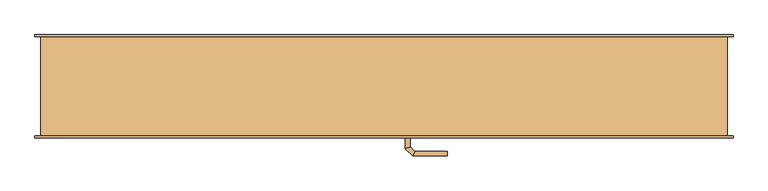
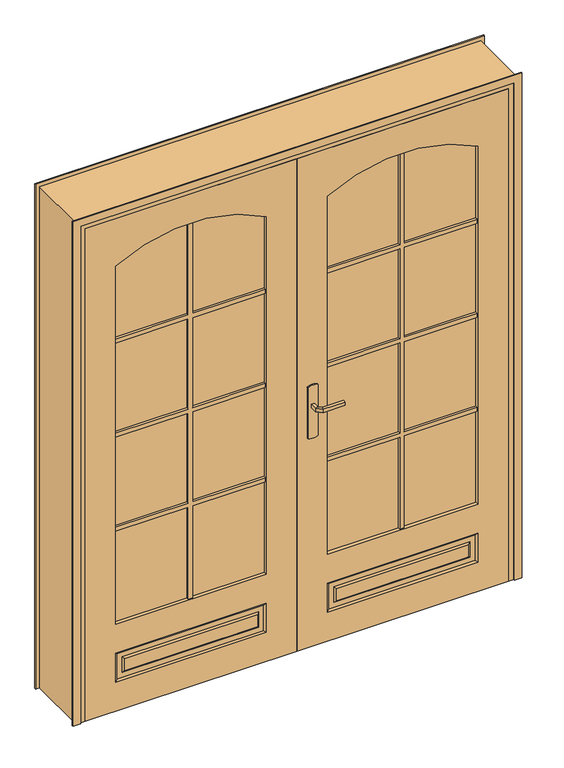
"""IFC4 building model written with IfcOpenShell, lengths in millimetres: door geometry."""

from ifc_helpers import new_model, si_unit, point, frame, frame_2d, origin, place, context, project, spatial, polyline, circle_curve, ellipse_curve, trimmed, segment, composite_curve, outline, extrude, faceted_brep, source, transform, mapped, element, save
from ifc_brep_helpers import plane_surface, cylinder_surface, revolved_surface, advanced_brep


def door_66f8f5f8(model_context):
    return source(origin(), model_context, "Body", "SolidModel", [
        extrude(outline(composite_curve([segment(trimmed(circle_curve(frame_2d((1320.0, -450.0)), 600.0), [point((1842.4700948, -155.0))], [point((1842.4700948, -745.0))], False, "CARTESIAN"), True, "CONTINUOUS"), segment(polyline([(1842.4700948, -745.0), (360.0, -745.0), (360.0, -155.0), (1842.4700948, -155.0)]), True, "CONTINUOUS")], self_intersect=False)), frame((0.0, -110.0, 0.0), z_axis=(0.0, 1.0, 0.0), x_axis=(0.0, 0.0, 1.0)), (0.0, 0.0, 1.0), 10.0),
        advanced_brep(
        [(-865.0, -125.0, 0.0), (-35.0, -125.0, 0.0), (-35.0, -125.0, 2040.0), (-865.0, -125.0, 2040.0), (-745.0, -125.0, 360.0), (-745.0, -125.0, 1842.4700948), (-155.0, -125.0, 1842.4700948), (-155.0, -125.0, 360.0), (-745.0, -125.0, 240.0), (-155.0, -125.0, 240.0), (-155.0, -125.0, 120.0), (-745.0, -125.0, 120.0), (-710.0, -125.0, 155.0), (-190.0, -125.0, 155.0), (-190.0, -125.0, 205.0), (-710.0, -125.0, 205.0), (-865.0, -85.0, 0.0), (-865.0, -85.0, 2040.0), (-35.0, -85.0, 2040.0), (-35.0, -85.0, 0.0), (-745.0, -85.0, 360.0), (-155.0, -85.0, 360.0), (-155.0, -85.0, 1842.4700948), (-745.0, -85.0, 1842.4700948), (-155.0, -85.0, 240.0), (-745.0, -85.0, 240.0), (-745.0, -85.0, 120.0), (-155.0, -85.0, 120.0), (-190.0, -85.0, 155.0), (-710.0, -85.0, 155.0), (-710.0, -85.0, 205.0), (-190.0, -85.0, 205.0), (-737.85926, -120.0, 127.14074), (-737.85926, -120.0, 232.85926), (-717.14074, -120.0, 147.85926), (-717.14074, -120.0, 212.14074), (-162.14074, -120.0, 232.85926), (-182.85926, -120.0, 212.14074), (-162.14074, -120.0, 127.14074), (-182.85926, -120.0, 147.85926), (-162.14074, -90.0, 127.14074), (-162.14074, -90.0, 232.85926), (-182.85926, -90.0, 147.85926), (-182.85926, -90.0, 212.14074), (-737.85926, -90.0, 232.85926), (-717.14074, -90.0, 212.14074), (-737.85926, -90.0, 127.14074), (-717.14074, -90.0, 147.85926)],
        [
            (0, 1),
            (1, 2),
            (2, 3),
            (3, 0),
            (4, 5),
            (5, 6, circle_curve(frame((-450.0, -125.0, 1320.0), z_axis=(0.0, 1.0, 0.0), x_axis=(-1.0, 0.0, 0.0)), 600.0)),
            (6, 7),
            (7, 4),
            (8, 9),
            (9, 10),
            (10, 11),
            (11, 8),
            (12, 13),
            (13, 14),
            (14, 15),
            (15, 12),
            (16, 17),
            (17, 18),
            (18, 19),
            (19, 16),
            (20, 21),
            (21, 22),
            (22, 23, circle_curve(frame((-450.0, -85.0, 1320.0), z_axis=(0.0, -1.0, 0.0), x_axis=(-1.0, 0.0, 0.0)), 600.0)),
            (23, 20),
            (24, 25),
            (25, 26),
            (26, 27),
            (27, 24),
            (28, 29),
            (29, 30),
            (30, 31),
            (31, 28),
            (3, 17),
            (16, 0),
            (2, 18),
            (1, 19),
            (7, 21),
            (20, 4),
            (6, 22),
            (5, 23),
            (11, 32),
            (32, 33),
            (33, 8),
            (34, 12),
            (15, 35),
            (35, 34),
            (33, 36),
            (36, 9),
            (14, 37),
            (37, 35),
            (36, 38),
            (38, 10),
            (13, 39),
            (39, 37),
            (38, 32),
            (34, 39),
            (27, 40),
            (40, 41),
            (41, 24),
            (42, 28),
            (31, 43),
            (43, 42),
            (41, 44),
            (44, 25),
            (30, 45),
            (45, 43),
            (44, 46),
            (46, 26),
            (29, 47),
            (47, 45),
            (46, 40),
            (42, 47),
        ],
        [
            plane_surface(frame((-865.0, -125.0, 0.0), z_axis=(0.0, -1.0, 0.0), x_axis=(0.0, 0.0, 1.0))),
            plane_surface(frame((-865.0, -85.0, 0.0), z_axis=(0.0, 1.0, 0.0), x_axis=(0.0, 0.0, -1.0))),
            plane_surface(frame((-865.0, -125.0, 0.0), z_axis=(-1.0, 0.0, 0.0), x_axis=(0.0, 1.0, 0.0))),
            plane_surface(frame((-865.0, -125.0, 2040.0), z_axis=(0.0, 0.0, 1.0), x_axis=(0.0, 1.0, 0.0))),
            plane_surface(frame((-35.0, -125.0, 2040.0), z_axis=(1.0, 0.0, 0.0), x_axis=(0.0, 1.0, 0.0))),
            plane_surface(frame((-35.0, -125.0, 0.0), z_axis=(0.0, 0.0, -1.0), x_axis=(0.0, 1.0, 0.0))),
            plane_surface(frame((-745.0, -125.0, 360.0), z_axis=(0.0, 0.0, 1.0), x_axis=(0.0, 1.0, 0.0))),
            plane_surface(frame((-155.0, -125.0, 360.0), z_axis=(-1.0, 0.0, 0.0), x_axis=(0.0, 1.0, 0.0))),
            revolved_surface(polyline([(-1050.0, -85.0, 1320.0), (-1050.0, -125.0, 1320.0)]), (-450.0, -85.0, 1320.0), (0.0, 1.0, 0.0)),
            plane_surface(frame((-745.0, -125.0, 1842.4700948), z_axis=(1.0, 0.0, 0.0), x_axis=(0.0, 1.0, 0.0))),
            plane_surface(frame((-737.85926, -120.0, 127.14074), z_axis=(0.5735764363510457, -0.819152044288992, 0.0), x_axis=(0.0, 0.0, 1.0))),
            plane_surface(frame((-710.0, -125.0, 155.0), z_axis=(-0.573576436351049, -0.8191520442889898, 0.0), x_axis=(0.0, 0.0, 1.0))),
            plane_surface(frame((-737.85926, -120.0, 232.85926), z_axis=(0.0, -0.819152044288992, -0.5735764363510458), x_axis=(1.0, 0.0, 0.0))),
            plane_surface(frame((-710.0, -125.0, 205.0), z_axis=(0.0, -0.8191520442889897, 0.5735764363510492), x_axis=(1.0, 0.0, 0.0))),
            plane_surface(frame((-162.14074, -120.0, 232.85926), z_axis=(-0.5735764363510458, -0.819152044288992, 0.0), x_axis=(0.0, 0.0, -1.0))),
            plane_surface(frame((-190.0, -125.0, 205.0), z_axis=(0.5735764363510492, -0.8191520442889897, 0.0), x_axis=(0.0, 0.0, -1.0))),
            plane_surface(frame((-162.14074, -120.0, 127.14074), z_axis=(0.0, -0.819152044288992, 0.5735764363510459), x_axis=(-1.0, 0.0, 0.0))),
            plane_surface(frame((-190.0, -125.0, 155.0), z_axis=(0.0, -0.8191520442889896, -0.5735764363510493), x_axis=(-1.0, 0.0, 0.0))),
            plane_surface(frame((-182.85926, -120.0, 147.85926), z_axis=(0.0, -1.0, 0.0), x_axis=(-1.0, 0.0, 0.0))),
            plane_surface(frame((-162.14074, -90.0, 127.14074), z_axis=(-0.5735764363510479, 0.8191520442889905, 0.0), x_axis=(0.0, 0.0, 1.0))),
            plane_surface(frame((-190.0, -85.0, 155.0), z_axis=(0.5735764363510468, 0.8191520442889914, 0.0), x_axis=(0.0, 0.0, 1.0))),
            plane_surface(frame((-162.14074, -90.0, 232.85926), z_axis=(0.0, 0.8191520442889905, -0.573576436351048), x_axis=(-1.0, 0.0, 0.0))),
            plane_surface(frame((-190.0, -85.0, 205.0), z_axis=(0.0, 0.8191520442889912, 0.5735764363510469), x_axis=(-1.0, 0.0, 0.0))),
            plane_surface(frame((-737.85926, -90.0, 232.85926), z_axis=(0.573576436351048, 0.8191520442889905, 0.0), x_axis=(0.0, 0.0, -1.0))),
            plane_surface(frame((-710.0, -85.0, 205.0), z_axis=(-0.5735764363510469, 0.8191520442889912, 0.0), x_axis=(0.0, 0.0, -1.0))),
            plane_surface(frame((-737.85926, -90.0, 127.14074), z_axis=(0.0, 0.8191520442889904, 0.5735764363510482), x_axis=(1.0, 0.0, 0.0))),
            plane_surface(frame((-710.0, -85.0, 155.0), z_axis=(0.0, 0.8191520442889911, -0.573576436351047), x_axis=(1.0, 0.0, 0.0))),
            plane_surface(frame((-717.14074, -90.0, 147.85926), z_axis=(0.0, 1.0, 0.0), x_axis=(1.0, 0.0, 0.0))),
        ],
        [
            (0, [[1, 2, 3, 4], [5, 6, 7, 8], [9, 10, 11, 12]]),
            (0, [[13, 14, 15, 16]]),
            (1, [[17, 18, 19, 20], [21, 22, 23, 24], [25, 26, 27, 28]]),
            (1, [[29, 30, 31, 32]]),
            (2, [[33, -17, 34, -4]]),
            (3, [[35, -18, -33, -3]]),
            (4, [[36, -19, -35, -2]]),
            (5, [[-34, -20, -36, -1]]),
            (6, [[37, -21, 38, -8]]),
            (7, [[39, -22, -37, -7]]),
            (8, [[40, -23, -39, -6]]),
            (9, [[-38, -24, -40, -5]]),
            (10, [[-12, 41, 42, 43]]),
            (11, [[44, -16, 45, 46]]),
            (12, [[47, 48, -9, -43]]),
            (13, [[-15, 49, 50, -45]]),
            (14, [[51, 52, -10, -48]]),
            (15, [[-14, 53, 54, -49]]),
            (16, [[-11, -52, 55, -41]]),
            (17, [[56, -53, -13, -44]]),
            (18, [[-55, -51, -47, -42], [-50, -54, -56, -46]]),
            (19, [[-28, 57, 58, 59]]),
            (20, [[60, -32, 61, 62]]),
            (21, [[63, 64, -25, -59]]),
            (22, [[-31, 65, 66, -61]]),
            (23, [[67, 68, -26, -64]]),
            (24, [[-30, 69, 70, -65]]),
            (25, [[-27, -68, 71, -57]]),
            (26, [[72, -69, -29, -60]]),
            (27, [[-71, -67, -63, -58], [-66, -70, -72, -62]]),
        ],
    ),
        extrude(outline(polyline([(741.5, -458.5), (360.0, -458.5), (360.0, -441.5), (741.5, -441.5), (741.5, -155.0), (758.5, -155.0), (758.5, -441.5), (1131.5, -441.5), (1131.5, -155.0), (1148.5, -155.0), (1148.5, -441.5), (1521.5, -441.5), (1521.5, -155.0), (1538.5, -155.0), (1538.5, -441.5), (1920.0, -441.5), (1920.0, -458.5), (1538.5, -458.5), (1538.5, -745.0), (1521.5, -745.0), (1521.5, -458.5), (1148.5, -458.5), (1148.5, -745.0), (1131.5, -745.0), (1131.5, -458.5), (758.5, -458.5), (758.5, -745.0), (741.5, -745.0), (741.5, -458.5)])), frame((0.0, -100.0, 0.0), z_axis=(0.0, 1.0, 0.0), x_axis=(0.0, 0.0, 1.0)), (0.0, 0.0, 1.0), 10.0),
        extrude(outline(polyline([(741.5, -441.5), (741.5, -155.0), (758.5, -155.0), (758.5, -441.5), (1131.5, -441.5), (1131.5, -155.0), (1148.5, -155.0), (1148.5, -441.5), (1521.5, -441.5), (1521.5, -155.0), (1538.5, -155.0), (1538.5, -441.5), (1920.0, -441.5), (1920.0, -458.5), (1538.5, -458.5), (1538.5, -745.0), (1521.5, -745.0), (1521.5, -458.5), (1148.5, -458.5), (1148.5, -745.0), (1131.5, -745.0), (1131.5, -458.5), (758.5, -458.5), (758.5, -745.0), (741.5, -745.0), (741.5, -458.5), (360.0, -458.5), (360.0, -441.5), (741.5, -441.5)])), frame((0.0, -120.0, 0.0), z_axis=(0.0, 1.0, 0.0), x_axis=(0.0, 0.0, 1.0)), (0.0, 0.0, 1.0), 10.0),
        extrude(outline(composite_curve([segment(trimmed(circle_curve(frame_2d((904.6410162, 25.0)), 40.0), [point((870.0, 5.0))], [point((870.0, 45.0))], False, "CARTESIAN"), True, "CONTINUOUS"), segment(polyline([(870.0, 45.0), (1080.0, 45.0)]), True, "CONTINUOUS"), segment(trimmed(circle_curve(frame_2d((1045.3589838, 25.0)), 40.0), [point((1080.0, 45.0))], [point((1080.0, 5.0))], False, "CARTESIAN"), True, "CONTINUOUS"), segment(polyline([(1080.0, 5.0), (870.0, 5.0)]), True, "CONTINUOUS")], self_intersect=False)), frame((0.0, -130.0, 0.0), z_axis=(0.0, 1.0, 0.0), x_axis=(0.0, 0.0, 1.0)), (0.0, 0.0, 1.0), 5.0),
        extrude(outline(composite_curve([segment(trimmed(circle_curve(frame_2d((1045.3589838, 25.0)), 40.0), [point((1080.0, 45.0))], [point((1080.0, 5.0))], False, "CARTESIAN"), True, "CONTINUOUS"), segment(polyline([(1080.0, 5.0), (870.0, 5.0)]), True, "CONTINUOUS"), segment(trimmed(circle_curve(frame_2d((904.6410162, 25.0)), 40.0), [point((870.0, 5.0))], [point((870.0, 45.0))], False, "CARTESIAN"), True, "CONTINUOUS"), segment(polyline([(870.0, 45.0), (1080.0, 45.0)]), True, "CONTINUOUS")], self_intersect=False)), frame((0.0, -85.0, 0.0), z_axis=(0.0, 1.0, 0.0), x_axis=(0.0, 0.0, 1.0)), (0.0, 0.0, 1.0), 5.0),
        advanced_brep(
        [(19.0, -130.0, 1007.0), (31.0, -130.0, 1007.0), (31.0, -130.0, 993.0), (19.0, -130.0, 993.0), (19.0, -157.6509507, 1007.0), (31.0, -152.680388, 1007.0), (31.0, -152.680388, 993.0), (19.0, -157.6509507, 993.0), (37.37721, -176.0281607, 1007.0), (42.3477727, -164.0281607, 1007.0), (42.3477727, -164.0281607, 993.0), (37.37721, -176.0281607, 993.0), (125.0186406, -176.0281607, 1007.0), (125.0186406, -176.0281607, 993.0), (125.0186406, -164.0281607, 993.0), (125.0186406, -164.0281607, 1007.0)],
        [
            (0, 1, circle_curve(frame((25.0, -130.0, 986.9542278), z_axis=(0.0, 1.0, 0.0), x_axis=(1.0, 0.0, 0.0)), 20.9244589)),
            (1, 2),
            (2, 3, circle_curve(frame((25.0, -130.0, 1013.0457722), z_axis=(0.0, 1.0, 0.0), x_axis=(1.0, 0.0, 0.0)), 20.9244589)),
            (3, 0),
            (0, 4),
            (4, 5, ellipse_curve(frame((25.0, -155.1656693, 986.9542278), z_axis=(-0.3826834323651093, 0.9238795325112789, 0.0), x_axis=(0.9238795325112791, 0.38268343236510843, 0.0)), 22.6484711, 20.9244589)),
            (5, 1),
            (5, 6),
            (6, 2),
            (6, 7, ellipse_curve(frame((25.0, -155.1656693, 1013.0457722), z_axis=(-0.3826834323651093, 0.9238795325112789, 0.0), x_axis=(0.9238795325112791, 0.38268343236510843, 0.0)), 22.6484711, 20.9244589)),
            (7, 3),
            (7, 4),
            (4, 8),
            (8, 9, ellipse_curve(frame((39.8624914, -170.0281607, 986.9542278), z_axis=(-0.9238795325112947, 0.38268343236507024, 0.0), x_axis=(0.3826834323650698, 0.9238795325112951, 0.0)), 22.6484711, 20.9244589)),
            (9, 5),
            (9, 10),
            (10, 6),
            (10, 11, ellipse_curve(frame((39.8624914, -170.0281607, 1013.0457722), z_axis=(-0.9238795325112947, 0.38268343236507024, 0.0), x_axis=(0.3826834323650698, 0.9238795325112951, 0.0)), 22.6484711, 20.9244589)),
            (11, 7),
            (11, 8),
            (12, 13),
            (13, 14, circle_curve(frame((125.0186406, -170.0281607, 1013.0457722), z_axis=(1.0, 0.0, 0.0), x_axis=(0.0, 1.0, 0.0)), 20.9244589)),
            (14, 15),
            (15, 12, circle_curve(frame((125.0186406, -170.0281607, 986.9542278), z_axis=(1.0, 0.0, 0.0), x_axis=(0.0, 1.0, 0.0)), 20.9244589)),
            (8, 12),
            (15, 9),
            (14, 10),
            (13, 11),
        ],
        [
            plane_surface(frame((15.7804555, -130.0, 1000.0), z_axis=(0.0, 1.0, 0.0), x_axis=(0.0, 0.0, -1.0))),
            cylinder_surface(frame((25.0, -130.0, 986.9542278), z_axis=(0.0, 1.0, 0.0), x_axis=(1.0, 0.0, 0.0)), 20.9244589),
            plane_surface(frame((31.0, -130.0, 1007.0), z_axis=(1.0, 0.0, 0.0), x_axis=(0.0, -1.0, 0.0))),
            cylinder_surface(frame((25.0, -130.0, 1013.0457722), z_axis=(0.0, 1.0, 0.0), x_axis=(1.0, 0.0, 0.0)), 20.9244589),
            plane_surface(frame((19.0, -130.0, 993.0), z_axis=(-1.0, 0.0, 0.0), x_axis=(0.0, -1.0, 0.0))),
            cylinder_surface(frame((25.0, -155.1656693, 986.9542278), z_axis=(-0.7071067811865772, 0.7071067811865177, 0.0), x_axis=(0.7071067811865177, 0.7071067811865772, 0.0)), 20.9244589),
            plane_surface(frame((31.0, -152.680388, 1007.0), z_axis=(0.7071067811865177, 0.7071067811865773, 0.0), x_axis=(0.7071067811865773, -0.7071067811865177, 0.0))),
            cylinder_surface(frame((25.0, -155.1656693, 1013.0457722), z_axis=(-0.7071067811865772, 0.7071067811865177, 0.0), x_axis=(0.7071067811865177, 0.7071067811865772, 0.0)), 20.9244589),
            plane_surface(frame((19.0, -157.6509507, 993.0), z_axis=(-0.7071067811865177, -0.7071067811865773, 0.0), x_axis=(0.7071067811865773, -0.7071067811865177, 0.0))),
            plane_surface(frame((125.0186406, -170.0281607, 990.7804555), z_axis=(1.0, 0.0, 0.0), x_axis=(0.0, 1.0, 0.0))),
            cylinder_surface(frame((39.8624914, -170.0281607, 986.9542278), z_axis=(-1.0, 0.0, 0.0), x_axis=(0.0, 1.0, 0.0)), 20.9244589),
            plane_surface(frame((42.3477727, -164.0281607, 1007.0), z_axis=(0.0, 1.0, 0.0), x_axis=(1.0, 0.0, 0.0))),
            cylinder_surface(frame((39.8624914, -170.0281607, 1013.0457722), z_axis=(-1.0, 0.0, 0.0), x_axis=(0.0, 1.0, 0.0)), 20.9244589),
            plane_surface(frame((37.37721, -176.0281607, 993.0), z_axis=(0.0, -1.0, 0.0), x_axis=(1.0, 0.0, 0.0))),
        ],
        [
            (0, [[1, 2, 3, 4]]),
            (1, [[-1, 5, 6, 7]]),
            (2, [[-2, -7, 8, 9]]),
            (3, [[-3, -9, 10, 11]]),
            (4, [[-4, -11, 12, -5]]),
            (5, [[-6, 13, 14, 15]]),
            (6, [[-8, -15, 16, 17]]),
            (7, [[-10, -17, 18, 19]]),
            (8, [[-12, -19, 20, -13]]),
            (9, [[21, 22, 23, 24]]),
            (10, [[-14, 25, -24, 26]]),
            (11, [[-16, -26, -23, 27]]),
            (12, [[-18, -27, -22, 28]]),
            (13, [[-20, -28, -21, -25]]),
        ],
    ),
        advanced_brep(
        [(31.0, -80.0, 993.0), (31.0, -80.0, 1007.0), (19.0, -80.0, 1007.0), (19.0, -80.0, 993.0), (31.0, -57.5147955, 993.0), (31.0, -57.5147955, 1007.0), (19.0, -52.5442327, 1007.0), (19.0, -52.5442327, 993.0), (42.4852814, -46.0295141, 993.0), (42.4852814, -46.0295141, 1007.0), (37.5147186, -34.0295141, 1007.0), (37.5147186, -34.0295141, 993.0), (125.0457837, -46.0295141, 993.0), (125.0457837, -34.0295141, 993.0), (125.0457837, -34.0295141, 1007.0), (125.0457837, -46.0295141, 1007.0)],
        [
            (0, 1),
            (1, 2, circle_curve(frame((25.0, -80.0, 986.9542278), z_axis=(0.0, -1.0, 0.0), x_axis=(-1.0, 0.0, 0.0)), 20.9244589)),
            (2, 3),
            (3, 0, circle_curve(frame((25.0, -80.0, 1013.0457722), z_axis=(0.0, -1.0, 0.0), x_axis=(-1.0, 0.0, 0.0)), 20.9244589)),
            (0, 4),
            (4, 5),
            (5, 1),
            (5, 6, ellipse_curve(frame((25.0, -55.0295141, 986.9542278), z_axis=(-0.38268343236510893, -0.9238795325112789, 0.0), x_axis=(0.9238795325112789, -0.3826834323651087, 0.0)), 22.6484711, 20.9244589)),
            (6, 2),
            (6, 7),
            (7, 3),
            (7, 4, ellipse_curve(frame((25.0, -55.0295141, 1013.0457722), z_axis=(-0.38268343236510893, -0.9238795325112789, 0.0), x_axis=(0.9238795325112789, -0.3826834323651087, 0.0)), 22.6484711, 20.9244589)),
            (4, 8),
            (8, 9),
            (9, 5),
            (9, 10, ellipse_curve(frame((40.0, -40.0295141, 986.9542278), z_axis=(-0.9238795325112946, -0.38268343236507063, 0.0), x_axis=(0.3826834323650701, -0.9238795325112948, 0.0)), 22.6484711, 20.9244589)),
            (10, 6),
            (10, 11),
            (11, 7),
            (11, 8, ellipse_curve(frame((40.0, -40.0295141, 1013.0457722), z_axis=(-0.9238795325112946, -0.38268343236507063, 0.0), x_axis=(0.3826834323650701, -0.9238795325112948, 0.0)), 22.6484711, 20.9244589)),
            (12, 13, circle_curve(frame((125.0457837, -40.0295141, 1013.0457722), z_axis=(1.0, 0.0, 0.0), x_axis=(0.0, 1.0, 0.0)), 20.9244589)),
            (13, 14),
            (14, 15, circle_curve(frame((125.0457837, -40.0295141, 986.9542278), z_axis=(1.0, 0.0, 0.0), x_axis=(0.0, 1.0, 0.0)), 20.9244589)),
            (15, 12),
            (8, 12),
            (15, 9),
            (14, 10),
            (13, 11),
        ],
        [
            plane_surface(frame((15.7804555, -80.0, 1000.0), z_axis=(0.0, -1.0, 0.0), x_axis=(0.0, 0.0, 1.0))),
            plane_surface(frame((31.0, -80.0, 993.0), z_axis=(1.0, 0.0, 0.0), x_axis=(0.0, 1.0, 0.0))),
            cylinder_surface(frame((25.0, -80.0, 986.9542278), z_axis=(0.0, -1.0, 0.0), x_axis=(-1.0, 0.0, 0.0)), 20.9244589),
            plane_surface(frame((19.0, -80.0, 1007.0), z_axis=(-1.0, 0.0, 0.0), x_axis=(0.0, 1.0, 0.0))),
            cylinder_surface(frame((25.0, -80.0, 1013.0457722), z_axis=(0.0, -1.0, 0.0), x_axis=(-1.0, 0.0, 0.0)), 20.9244589),
            plane_surface(frame((31.0, -57.5147955, 993.0), z_axis=(0.7071067811865183, -0.7071067811865768, 0.0), x_axis=(0.7071067811865768, 0.7071067811865183, 0.0))),
            cylinder_surface(frame((25.0, -55.0295141, 986.9542278), z_axis=(-0.7071067811865768, -0.7071067811865183, 0.0), x_axis=(-0.7071067811865183, 0.7071067811865768, 0.0)), 20.9244589),
            plane_surface(frame((19.0, -52.5442327, 1007.0), z_axis=(-0.7071067811865184, 0.7071067811865767, 0.0), x_axis=(0.7071067811865767, 0.7071067811865184, 0.0))),
            cylinder_surface(frame((25.0, -55.0295141, 1013.0457722), z_axis=(-0.7071067811865768, -0.7071067811865183, 0.0), x_axis=(-0.7071067811865183, 0.7071067811865768, 0.0)), 20.9244589),
            plane_surface(frame((125.0457837, -40.0295141, 990.7804555), z_axis=(1.0, 0.0, 0.0), x_axis=(0.0, 1.0, 0.0))),
            plane_surface(frame((42.4852814, -46.0295141, 993.0), z_axis=(0.0, -1.0, 0.0), x_axis=(1.0, 0.0, 0.0))),
            cylinder_surface(frame((40.0, -40.0295141, 986.9542278), z_axis=(-1.0, 0.0, 0.0), x_axis=(0.0, 1.0, 0.0)), 20.9244589),
            plane_surface(frame((37.5147186, -34.0295141, 1007.0), z_axis=(0.0, 1.0, 0.0), x_axis=(1.0, 0.0, 0.0))),
            cylinder_surface(frame((40.0, -40.0295141, 1013.0457722), z_axis=(-1.0, 0.0, 0.0), x_axis=(0.0, 1.0, 0.0)), 20.9244589),
        ],
        [
            (0, [[1, 2, 3, 4]]),
            (1, [[-1, 5, 6, 7]]),
            (2, [[-2, -7, 8, 9]]),
            (3, [[-3, -9, 10, 11]]),
            (4, [[-4, -11, 12, -5]]),
            (5, [[-6, 13, 14, 15]]),
            (6, [[-8, -15, 16, 17]]),
            (7, [[-10, -17, 18, 19]]),
            (8, [[-12, -19, 20, -13]]),
            (9, [[21, 22, 23, 24]]),
            (10, [[-14, 25, -24, 26]]),
            (11, [[-16, -26, -23, 27]]),
            (12, [[-18, -27, -22, 28]]),
            (13, [[-20, -28, -21, -25]]),
        ],
    ),
        extrude(outline(composite_curve([segment(polyline([(1842.4700948, 85.0), (360.0, 85.0), (360.0, 675.0), (1842.4700948, 675.0)]), True, "CONTINUOUS"), segment(trimmed(circle_curve(frame_2d((1320.0, 380.0)), 600.0), [point((1842.4700948, 675.0))], [point((1842.4700948, 85.0))], False, "CARTESIAN"), True, "CONTINUOUS")], self_intersect=False)), frame((0.0, -110.0, 0.0), z_axis=(0.0, 1.0, 0.0), x_axis=(0.0, 0.0, 1.0)), (0.0, 0.0, 1.0), 10.0),
        advanced_brep(
        [(795.0, -125.0, 0.0), (795.0, -125.0, 2040.0), (-35.0, -125.0, 2040.0), (-35.0, -125.0, 0.0), (675.0, -125.0, 360.0), (85.0, -125.0, 360.0), (85.0, -125.0, 1842.4700948), (675.0, -125.0, 1842.4700948), (675.0, -125.0, 240.0), (675.0, -125.0, 120.0), (85.0, -125.0, 120.0), (85.0, -125.0, 240.0), (640.0, -125.0, 155.0), (640.0, -125.0, 205.0), (120.0, -125.0, 205.0), (120.0, -125.0, 155.0), (795.0, -85.0, 0.0), (-35.0, -85.0, 0.0), (-35.0, -85.0, 2040.0), (795.0, -85.0, 2040.0), (675.0, -85.0, 360.0), (675.0, -85.0, 1842.4700948), (85.0, -85.0, 1842.4700948), (85.0, -85.0, 360.0), (85.0, -85.0, 240.0), (85.0, -85.0, 120.0), (675.0, -85.0, 120.0), (675.0, -85.0, 240.0), (120.0, -85.0, 155.0), (120.0, -85.0, 205.0), (640.0, -85.0, 205.0), (640.0, -85.0, 155.0), (667.85926, -120.0, 232.85926), (667.85926, -120.0, 127.14074), (647.14074, -120.0, 147.85926), (647.14074, -120.0, 212.14074), (92.14074, -120.0, 232.85926), (112.85926, -120.0, 212.14074), (92.14074, -120.0, 127.14074), (112.85926, -120.0, 147.85926), (92.14074, -90.0, 232.85926), (92.14074, -90.0, 127.14074), (112.85926, -90.0, 147.85926), (112.85926, -90.0, 212.14074), (667.85926, -90.0, 232.85926), (647.14074, -90.0, 212.14074), (667.85926, -90.0, 127.14074), (647.14074, -90.0, 147.85926)],
        [
            (0, 1),
            (1, 2),
            (2, 3),
            (3, 0),
            (4, 5),
            (5, 6),
            (6, 7, circle_curve(frame((380.0, -125.0, 1320.0), z_axis=(0.0, 1.0, 0.0), x_axis=(1.0, 0.0, 0.0)), 600.0)),
            (7, 4),
            (8, 9),
            (9, 10),
            (10, 11),
            (11, 8),
            (12, 13),
            (13, 14),
            (14, 15),
            (15, 12),
            (16, 17),
            (17, 18),
            (18, 19),
            (19, 16),
            (20, 21),
            (21, 22, circle_curve(frame((380.0, -85.0, 1320.0), z_axis=(0.0, -1.0, 0.0), x_axis=(1.0, 0.0, 0.0)), 600.0)),
            (22, 23),
            (23, 20),
            (24, 25),
            (25, 26),
            (26, 27),
            (27, 24),
            (28, 29),
            (29, 30),
            (30, 31),
            (31, 28),
            (0, 16),
            (19, 1),
            (18, 2),
            (17, 3),
            (4, 20),
            (23, 5),
            (22, 6),
            (21, 7),
            (8, 32),
            (32, 33),
            (33, 9),
            (34, 35),
            (35, 13),
            (12, 34),
            (11, 36),
            (36, 32),
            (35, 37),
            (37, 14),
            (10, 38),
            (38, 36),
            (37, 39),
            (39, 15),
            (33, 38),
            (39, 34),
            (24, 40),
            (40, 41),
            (41, 25),
            (42, 43),
            (43, 29),
            (28, 42),
            (27, 44),
            (44, 40),
            (43, 45),
            (45, 30),
            (26, 46),
            (46, 44),
            (45, 47),
            (47, 31),
            (41, 46),
            (47, 42),
        ],
        [
            plane_surface(frame((795.0, -125.0, 0.0), z_axis=(0.0, -1.0, 0.0), x_axis=(0.0, 0.0, 1.0))),
            plane_surface(frame((795.0, -85.0, 0.0), z_axis=(0.0, 1.0, 0.0), x_axis=(0.0, 0.0, -1.0))),
            plane_surface(frame((795.0, -125.0, 0.0), z_axis=(1.0, 0.0, 0.0), x_axis=(0.0, 1.0, 0.0))),
            plane_surface(frame((795.0, -125.0, 2040.0), z_axis=(0.0, 0.0, 1.0), x_axis=(0.0, 1.0, 0.0))),
            plane_surface(frame((-35.0, -125.0, 2040.0), z_axis=(-1.0, 0.0, 0.0), x_axis=(0.0, 1.0, 0.0))),
            plane_surface(frame((-35.0, -125.0, 0.0), z_axis=(0.0, 0.0, -1.0), x_axis=(0.0, 1.0, 0.0))),
            plane_surface(frame((675.0, -125.0, 360.0), z_axis=(0.0, 0.0, 1.0), x_axis=(0.0, 1.0, 0.0))),
            plane_surface(frame((85.0, -125.0, 360.0), z_axis=(1.0, 0.0, 0.0), x_axis=(0.0, 1.0, 0.0))),
            revolved_surface(polyline([(980.0, -85.0, 1320.0), (980.0, -125.0, 1320.0)]), (380.0, -85.0, 1320.0), (0.0, 1.0, 0.0)),
            plane_surface(frame((675.0, -125.0, 1842.4700948), z_axis=(-1.0, 0.0, 0.0), x_axis=(0.0, 1.0, 0.0))),
            plane_surface(frame((667.85926, -120.0, 127.14074), z_axis=(-0.5735764363510457, -0.819152044288992, 0.0), x_axis=(0.0, 0.0, 1.0))),
            plane_surface(frame((640.0, -125.0, 155.0), z_axis=(0.573576436351049, -0.8191520442889898, 0.0), x_axis=(0.0, 0.0, 1.0))),
            plane_surface(frame((667.85926, -120.0, 232.85926), z_axis=(0.0, -0.819152044288992, -0.5735764363510458), x_axis=(-1.0, 0.0, 0.0))),
            plane_surface(frame((640.0, -125.0, 205.0), z_axis=(0.0, -0.8191520442889897, 0.5735764363510492), x_axis=(-1.0, 0.0, 0.0))),
            plane_surface(frame((92.14074, -120.0, 232.85926), z_axis=(0.5735764363510458, -0.819152044288992, 0.0), x_axis=(0.0, 0.0, -1.0))),
            plane_surface(frame((120.0, -125.0, 205.0), z_axis=(-0.5735764363510492, -0.8191520442889897, 0.0), x_axis=(0.0, 0.0, -1.0))),
            plane_surface(frame((92.14074, -120.0, 127.14074), z_axis=(0.0, -0.819152044288992, 0.5735764363510459), x_axis=(1.0, 0.0, 0.0))),
            plane_surface(frame((120.0, -125.0, 155.0), z_axis=(0.0, -0.8191520442889896, -0.5735764363510493), x_axis=(1.0, 0.0, 0.0))),
            plane_surface(frame((112.85926, -120.0, 147.85926), z_axis=(0.0, -1.0, 0.0), x_axis=(1.0, 0.0, 0.0))),
            plane_surface(frame((92.14074, -90.0, 127.14074), z_axis=(0.5735764363510479, 0.8191520442889905, 0.0), x_axis=(0.0, 0.0, 1.0))),
            plane_surface(frame((120.0, -85.0, 155.0), z_axis=(-0.5735764363510468, 0.8191520442889914, 0.0), x_axis=(0.0, 0.0, 1.0))),
            plane_surface(frame((92.14074, -90.0, 232.85926), z_axis=(0.0, 0.8191520442889905, -0.573576436351048), x_axis=(1.0, 0.0, 0.0))),
            plane_surface(frame((120.0, -85.0, 205.0), z_axis=(0.0, 0.8191520442889912, 0.5735764363510469), x_axis=(1.0, 0.0, 0.0))),
            plane_surface(frame((667.85926, -90.0, 232.85926), z_axis=(-0.573576436351048, 0.8191520442889905, 0.0), x_axis=(0.0, 0.0, -1.0))),
            plane_surface(frame((640.0, -85.0, 205.0), z_axis=(0.5735764363510469, 0.8191520442889912, 0.0), x_axis=(0.0, 0.0, -1.0))),
            plane_surface(frame((667.85926, -90.0, 127.14074), z_axis=(0.0, 0.8191520442889904, 0.5735764363510482), x_axis=(-1.0, 0.0, 0.0))),
            plane_surface(frame((640.0, -85.0, 155.0), z_axis=(0.0, 0.8191520442889911, -0.573576436351047), x_axis=(-1.0, 0.0, 0.0))),
            plane_surface(frame((647.14074, -90.0, 147.85926), z_axis=(0.0, 1.0, 0.0), x_axis=(-1.0, 0.0, 0.0))),
        ],
        [
            (0, [[1, 2, 3, 4], [5, 6, 7, 8], [9, 10, 11, 12]]),
            (0, [[13, 14, 15, 16]]),
            (1, [[17, 18, 19, 20], [21, 22, 23, 24], [25, 26, 27, 28]]),
            (1, [[29, 30, 31, 32]]),
            (2, [[-1, 33, -20, 34]]),
            (3, [[-2, -34, -19, 35]]),
            (4, [[-3, -35, -18, 36]]),
            (5, [[-4, -36, -17, -33]]),
            (6, [[-5, 37, -24, 38]]),
            (7, [[-6, -38, -23, 39]]),
            (8, [[-7, -39, -22, 40]]),
            (9, [[-8, -40, -21, -37]]),
            (10, [[41, 42, 43, -9]]),
            (11, [[44, 45, -13, 46]]),
            (12, [[-41, -12, 47, 48]]),
            (13, [[-45, 49, 50, -14]]),
            (14, [[-47, -11, 51, 52]]),
            (15, [[-50, 53, 54, -15]]),
            (16, [[-43, 55, -51, -10]]),
            (17, [[-46, -16, -54, 56]]),
            (18, [[-42, -48, -52, -55], [-44, -56, -53, -49]]),
            (19, [[57, 58, 59, -25]]),
            (20, [[60, 61, -29, 62]]),
            (21, [[-57, -28, 63, 64]]),
            (22, [[-61, 65, 66, -30]]),
            (23, [[-63, -27, 67, 68]]),
            (24, [[-66, 69, 70, -31]]),
            (25, [[-59, 71, -67, -26]]),
            (26, [[-62, -32, -70, 72]]),
            (27, [[-58, -64, -68, -71], [-60, -72, -69, -65]]),
        ],
    ),
        extrude(outline(polyline([(741.5, 388.5), (741.5, 675.0), (758.5, 675.0), (758.5, 388.5), (1131.5, 388.5), (1131.5, 675.0), (1148.5, 675.0), (1148.5, 388.5), (1521.5, 388.5), (1521.5, 675.0), (1538.5, 675.0), (1538.5, 388.5), (1920.0, 388.5), (1920.0, 371.5), (1538.5, 371.5), (1538.5, 85.0), (1521.5, 85.0), (1521.5, 371.5), (1148.5, 371.5), (1148.5, 85.0), (1131.5, 85.0), (1131.5, 371.5), (758.5, 371.5), (758.5, 85.0), (741.5, 85.0), (741.5, 371.5), (360.0, 371.5), (360.0, 388.5), (741.5, 388.5)])), frame((0.0, -100.0, 0.0), z_axis=(0.0, 1.0, 0.0), x_axis=(0.0, 0.0, 1.0)), (0.0, 0.0, 1.0), 10.0),
        extrude(outline(polyline([(741.5, 371.5), (360.0, 371.5), (360.0, 388.5), (741.5, 388.5), (741.5, 675.0), (758.5, 675.0), (758.5, 388.5), (1131.5, 388.5), (1131.5, 675.0), (1148.5, 675.0), (1148.5, 388.5), (1521.5, 388.5), (1521.5, 675.0), (1538.5, 675.0), (1538.5, 388.5), (1920.0, 388.5), (1920.0, 371.5), (1538.5, 371.5), (1538.5, 85.0), (1521.5, 85.0), (1521.5, 371.5), (1148.5, 371.5), (1148.5, 85.0), (1131.5, 85.0), (1131.5, 371.5), (758.5, 371.5), (758.5, 85.0), (741.5, 85.0), (741.5, 371.5)])), frame((0.0, -120.0, 0.0), z_axis=(0.0, 1.0, 0.0), x_axis=(0.0, 0.0, 1.0)), (0.0, 0.0, 1.0), 10.0),
        faceted_brep([(-900.0, -125.0, 0.0), (-900.0, 125.0, 0.0), (-850.0, 125.0, 0.0), (-850.0, -85.0, 0.0), (-865.0, -85.0, 0.0), (-865.0, -125.0, 0.0), (-900.0, -125.0, 2075.0), (-900.0, 125.0, 2075.0), (830.0, 125.0, 2075.0), (830.0, 125.0, 0.0), (780.0, 125.0, 0.0), (780.0, 125.0, 2025.0), (-850.0, 125.0, 2025.0), (-850.0, -85.0, 2025.0), (780.0, -85.0, 2025.0), (780.0, -85.0, 0.0), (795.0, -85.0, 0.0), (795.0, -85.0, 2040.0), (-865.0, -85.0, 2040.0), (-865.0, -125.0, 2040.0), (795.0, -125.0, 2040.0), (795.0, -125.0, 0.0), (830.0, -125.0, 0.0), (830.0, -125.0, 2075.0)], [[[0, 1, 2, 3, 4, 5]], [[1, 0, 6, 7]], [[2, 1, 7, 8, 9, 10, 11, 12]], [[3, 2, 12, 13]], [[4, 3, 13, 14, 15, 16, 17, 18]], [[5, 4, 18, 19]], [[0, 5, 19, 20, 21, 22, 23, 6]], [[8, 23, 22, 9]], [[22, 21, 16, 15, 10, 9]], [[14, 11, 10, 15]], [[20, 17, 16, 21]], [[7, 6, 23, 8]], [[13, 12, 11, 14]], [[19, 18, 17, 20]]]),
        extrude(outline(polyline([(0.0, -915.0), (0.0, -885.0), (2060.0, -885.0), (2060.0, 815.0), (0.0, 815.0), (0.0, 845.0), (2090.0, 845.0), (2090.0, -915.0), (0.0, -915.0)])), frame((0.0, 125.0, 0.0), z_axis=(0.0, 1.0, 0.0), x_axis=(0.0, 0.0, 1.0)), (0.0, 0.0, 1.0), 5.0),
        extrude(outline(polyline([(0.0, -915.0), (0.0, -885.0), (2060.0, -885.0), (2060.0, 815.0), (0.0, 815.0), (0.0, 845.0), (2090.0, 845.0), (2090.0, -915.0), (0.0, -915.0)])), frame((0.0, -130.0, 0.0), z_axis=(0.0, 1.0, 0.0), x_axis=(0.0, 0.0, 1.0)), (0.0, 0.0, 1.0), 5.0),
    ])


if __name__ == "__main__":
    model = new_model("IFC4")
    model_context = context("Model", 3, world=origin())
    ifc_project = project(units=[si_unit("LENGTHUNIT", "METRE", prefix="MILLI")], contexts=[model_context])
    site = spatial("IfcSite", under=ifc_project)
    building = spatial("IfcBuilding", under=site)
    placement = place(None, origin())
    door_shape = door_66f8f5f8(model_context)
    element("IfcDoor", 1, at=placement, inside=building, context=model_context, shape_type="MappedRepresentation", body=[
        mapped(door_shape, transform((0.0, 0.0, 0.0), x_axis=(1.0, 0.0, 0.0), y_axis=(0.0, 1.0, 0.0), z_axis=(0.0, 0.0, 1.0))),
    ])
    save(model, "model.ifc")
